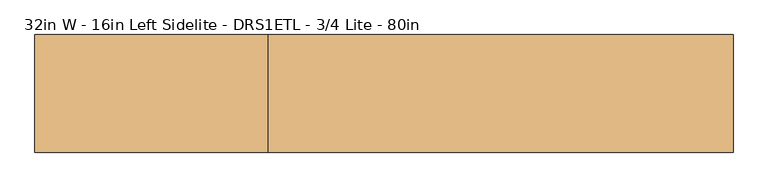
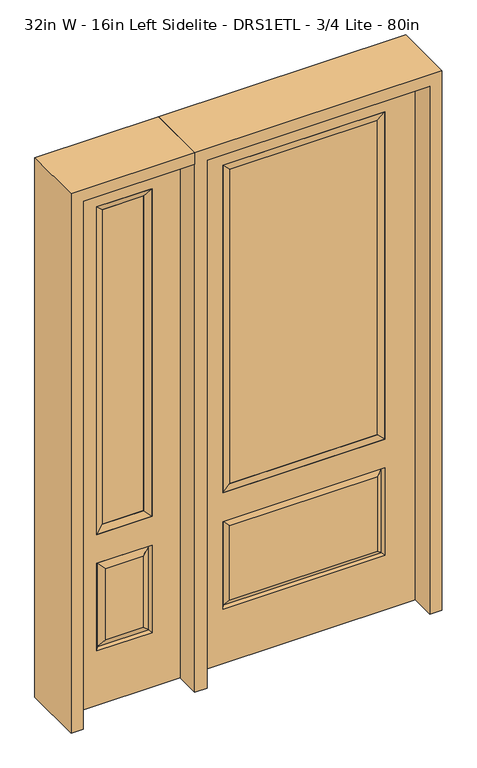
"""IFC4 building model written with IfcOpenShell, lengths in millimetres: door geometry, 32in W - 16in Left Sidelite - DRS1ETL - 3/4 Lite - 80in."""

from ifc_helpers import new_model, si_unit, frame, origin, place, context, project, spatial, polyline, outline, extrude, faceted_brep, source, transform, mapped, element, save


def door_32in_w_16in_left_sidelite_drs1etl_3_4_lite_80in_52a5605d(model_context):
    return source(origin(), model_context, "Body", "SolidModel", [
        faceted_brep([(-857.25, -22.225, 0.0), (-450.85, -22.225, 0.0), (-450.85, -22.225, 2032.0), (-857.25, -22.225, 2032.0), (-553.72, -22.225, 1919.224), (-553.72, -22.225, 657.098), (-754.38, -22.225, 657.098), (-754.38, -22.225, 1919.224), (-553.72, -22.225, 209.55), (-754.38, -22.225, 209.55), (-754.38, -22.225, 546.1), (-553.72, -22.225, 546.1), (-722.6648999, -22.225, 241.2651001), (-585.4351001, -22.225, 241.2651001), (-585.4351001, -22.225, 514.3848999), (-722.6648999, -22.225, 514.3848999), (-857.25, 22.225, 0.0), (-857.25, 22.225, 2032.0), (-450.85, 22.225, 2032.0), (-450.85, 22.225, 0.0), (-553.72, 22.225, 1919.224), (-754.38, 22.225, 1919.224), (-754.38, 22.225, 657.098), (-553.72, 22.225, 657.098), (-754.38, 22.225, 209.55), (-553.72, 22.225, 209.55), (-553.72, 22.225, 546.1), (-754.38, 22.225, 546.1), (-585.4351001, 22.225, 241.2651001), (-722.6648999, 22.225, 241.2651001), (-722.6648999, 22.225, 514.3848999), (-585.4351001, 22.225, 514.3848999), (-560.8288501, 12.7912373, 216.6588501), (-747.2711499, 12.7912373, 216.6588501), (-747.2711499, 12.7912373, 538.9911499), (-560.8288501, 12.7912373, 538.9911499), (-747.2711499, -12.7912373, 216.6588501), (-560.8288501, -12.7912373, 216.6588501), (-747.2711499, -12.7912373, 538.9911499), (-560.8288501, -12.7912373, 538.9911499)], [[[0, 1, 2, 3], [4, 5, 6, 7], [8, 9, 10, 11]], [[12, 13, 14, 15]], [[16, 17, 18, 19], [20, 21, 22, 23], [24, 25, 26, 27]], [[28, 29, 30, 31]], [[1, 0, 16, 19]], [[2, 1, 19, 18]], [[3, 2, 18, 17]], [[0, 3, 17, 16]], [[5, 4, 20, 23]], [[6, 5, 23, 22]], [[7, 6, 22, 21]], [[4, 7, 21, 20]], [[32, 33, 29, 28]], [[33, 32, 25, 24]], [[29, 33, 34, 30]], [[33, 24, 27, 34]], [[30, 34, 35, 31]], [[34, 27, 26, 35]], [[32, 28, 31, 35]], [[25, 32, 35, 26]], [[12, 36, 37, 13]], [[37, 36, 9, 8]], [[36, 12, 15, 38]], [[9, 36, 38, 10]], [[38, 15, 14, 39]], [[10, 38, 39, 11]], [[13, 37, 39, 14]], [[37, 8, 11, 39]]]),
        faceted_brep([(-754.38, 22.225, 1919.224), (-754.38, -22.225, 1919.224), (-553.72, -22.225, 1919.224), (-553.72, 22.225, 1919.224), (-728.98, 12.7, 1893.824), (-579.12, 12.7, 1893.824), (-728.98, -12.7, 1893.824), (-579.12, -12.7, 1893.824), (-553.72, -22.225, 657.098), (-553.72, 22.225, 657.098), (-579.12, 12.7, 682.498), (-579.12, -12.7, 682.498), (-754.38, -22.225, 657.098), (-754.38, 22.225, 657.098), (-728.98, 12.7, 682.498), (-728.98, -12.7, 682.498)], [[[0, 1, 2, 3]], [[4, 0, 3, 5]], [[6, 4, 5, 7]], [[1, 6, 7, 2]], [[3, 2, 8, 9]], [[5, 3, 9, 10]], [[7, 5, 10, 11]], [[2, 7, 11, 8]], [[9, 8, 12, 13]], [[10, 9, 13, 14]], [[11, 10, 14, 15]], [[8, 11, 15, 12]], [[13, 12, 1, 0]], [[14, 13, 0, 4]], [[15, 14, 4, 6]], [[12, 15, 6, 1]]]),
        extrude(outline(polyline([(-579.12, -12.7), (-728.98, -12.7), (-728.98, 12.7), (-579.12, 12.7), (-579.12, -12.7)])), frame((0.0, 0.0, 682.498), z_axis=(0.0, 0.0, 1.0), x_axis=(1.0, 0.0, 0.0)), (0.0, 0.0, 1.0), 1211.326),
        faceted_brep([(-288.1661499, -12.7912373, 216.6588501), (288.1661499, -12.7912373, 216.6588501), (270.66875, -22.225, 234.15625), (-270.66875, -22.225, 234.15625), (-295.275, -22.225, 209.55), (295.275, -22.225, 209.55), (-288.1661499, -12.7912373, 538.9911499), (-295.275, -22.225, 546.1), (270.66875, -22.225, 521.49375), (-270.66875, -22.225, 521.49375), (406.4, -22.225, 2032.0), (-406.4, -22.225, 2032.0), (-406.4, -22.225, 0.0), (406.4, -22.225, 0.0), (295.275, -22.225, 546.1), (295.275, -22.225, 1917.7), (295.275, -22.225, 657.098), (-295.275, -22.225, 657.098), (-295.275, -22.225, 1917.7), (288.1661499, -12.7912373, 538.9911499), (-406.4, 22.225, 2032.0), (-406.4, 22.225, 0.0), (406.4, 22.225, 0.0), (406.4, 22.225, 2032.0), (295.275, 22.225, 1917.7), (295.275, 22.225, 657.098), (-295.275, 22.225, 657.098), (-295.275, 22.225, 1917.7), (-295.275, 22.225, 209.55), (295.275, 22.225, 209.55), (295.275, 22.225, 546.1), (-295.275, 22.225, 546.1), (270.66875, 22.225, 234.15625), (-270.66875, 22.225, 234.15625), (-270.66875, 22.225, 521.49375), (270.66875, 22.225, 521.49375), (-288.1661499, 12.7912373, 216.6588501), (288.1661499, 12.7912373, 216.6588501), (288.1661499, 12.7912373, 538.9911499), (-288.1661499, 12.7912373, 538.9911499)], [[[0, 1, 2, 3]], [[1, 0, 4, 5]], [[4, 0, 6, 7]], [[3, 2, 8, 9]], [[10, 11, 12, 13], [5, 4, 7, 14], [15, 16, 17, 18]], [[1, 5, 14, 19]], [[2, 1, 19, 8]], [[0, 3, 9, 6]], [[7, 6, 19, 14]], [[6, 9, 8, 19]], [[12, 11, 20, 21]], [[13, 12, 21, 22]], [[10, 13, 22, 23]], [[16, 15, 24, 25]], [[17, 16, 25, 26]], [[18, 17, 26, 27]], [[23, 22, 21, 20], [28, 29, 30, 31], [24, 27, 26, 25]], [[32, 33, 34, 35]], [[28, 36, 37, 29]], [[29, 37, 38, 30]], [[39, 31, 30, 38]], [[36, 28, 31, 39]], [[37, 36, 33, 32]], [[33, 36, 39, 34]], [[34, 39, 38, 35]], [[37, 32, 35, 38]], [[11, 10, 23, 20]], [[15, 18, 27, 24]]]),
        faceted_brep([(-295.275, -22.225, 1917.7), (-295.275, 22.225, 1917.7), (-295.275, 22.225, 657.098), (-295.275, -22.225, 657.098), (295.275, 22.225, 657.098), (295.275, -22.225, 657.098), (-269.875, 5.08, 682.498), (269.875, 5.08, 682.498), (295.275, 22.225, 1917.7), (295.275, -22.225, 1917.7), (-269.875, -20.32, 682.498), (269.875, -20.32, 682.498), (-269.875, -20.32, 1892.3), (269.875, -20.32, 1892.3), (-269.875, 5.08, 1892.3), (269.875, 5.08, 1892.3)], [[[0, 1, 2, 3]], [[3, 2, 4, 5]], [[2, 6, 7, 4]], [[5, 4, 8, 9]], [[10, 3, 5, 11]], [[12, 0, 3, 10]], [[11, 5, 9, 13]], [[6, 10, 11, 7]], [[14, 12, 10, 6]], [[7, 11, 13, 15]], [[1, 14, 6, 2]], [[4, 7, 15, 8]], [[9, 8, 1, 0]], [[13, 9, 0, 12]], [[15, 13, 12, 14]], [[8, 15, 14, 1]]]),
        extrude(outline(polyline([(269.875, -20.32), (-269.875, -20.32), (-269.875, 5.08), (269.875, 5.08), (269.875, -20.32)])), frame((0.0, 0.0, 682.498), z_axis=(0.0, 0.0, 1.0), x_axis=(1.0, 0.0, 0.0)), (0.0, 0.0, 1.0), 1209.802),
        extrude(outline(polyline([(2032.0, -450.85), (2076.45, -450.85), (2076.45, -901.7), (0.0, -901.7), (0.0, -857.25), (2032.0, -857.25), (2032.0, -450.85)])), frame((0.0, -114.3, 0.0), z_axis=(0.0, 1.0, 0.0), x_axis=(0.0, 0.0, 1.0)), (0.0, 0.0, 1.0), 228.6),
        extrude(outline(polyline([(2076.45, -450.85), (0.0, -450.85), (0.0, -406.4), (2032.0, -406.4), (2032.0, 406.4), (0.0, 406.4), (0.0, 450.85), (2076.45, 450.85), (2076.45, -450.85)])), frame((0.0, -114.3, 0.0), z_axis=(0.0, 1.0, 0.0), x_axis=(0.0, 0.0, 1.0)), (0.0, 0.0, 1.0), 228.6),
    ])


if __name__ == "__main__":
    model = new_model("IFC4")
    model_context = context("Model", 3, world=origin())
    ifc_project = project(units=[si_unit("LENGTHUNIT", "METRE", prefix="MILLI")], contexts=[model_context])
    site = spatial("IfcSite", under=ifc_project)
    building = spatial("IfcBuilding", under=site)
    placement = place(None, origin())
    door_32in_w_16in_left_sidelite_drs1etl_3_4_lite_80in_shape = door_32in_w_16in_left_sidelite_drs1etl_3_4_lite_80in_52a5605d(model_context)
    element("IfcDoor", 1, ObjectType="32in W - 16in Left Sidelite - DRS1ETL - 3/4 Lite - 80in", at=placement, inside=building, context=model_context, shape_type="MappedRepresentation", body=[
        mapped(door_32in_w_16in_left_sidelite_drs1etl_3_4_lite_80in_shape, transform((0.0, 0.0, 0.0), x_axis=(1.0, 0.0, 0.0), y_axis=(0.0, 1.0, 0.0), z_axis=(0.0, 0.0, 1.0))),
    ])
    save(model, "model.ifc")
